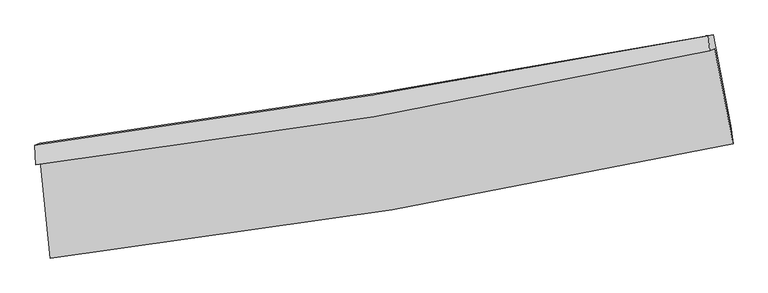
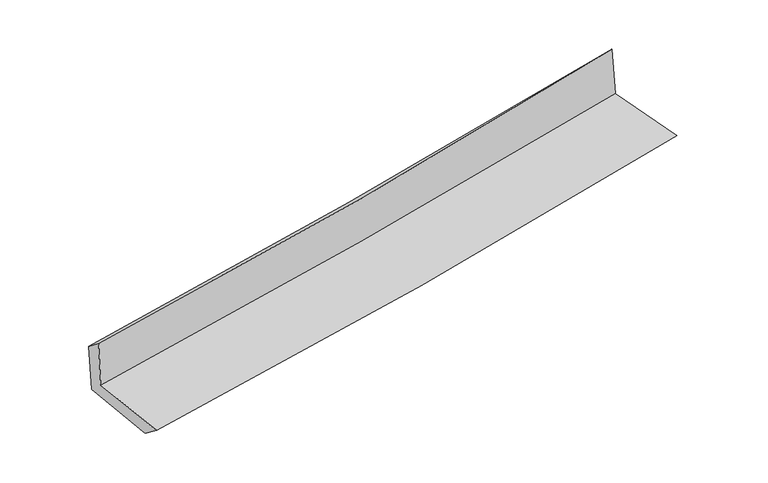
"""IFC4 building model written with IfcOpenShell, lengths in millimetres: proxy geometry."""

import ifcopenshell
import ifcopenshell.guid

model = None  # the IFC model being written
_history = None  # IfcOwnerHistory: only IFC2X3 demands one
_inside = {}  # id of a spatial element -> (the spatial element, [elements in it])
_under = {}  # id of a project, library or spatial element -> (it, [spatial elements below it])
_declared = {}  # id of a project -> (the project, [libraries it declares])
_typed = {}  # id of a type object -> (the type object, [elements of that type])
_made_of = {}  # id of a material, layer set ... -> (it, [elements and type objects made of it])


def new_model(schema):
    """Start an empty IFC model of exactly this schema.

    Asked for "IFC4X3", IfcOpenShell would pick the latest addendum, in which some entities
    have other attributes; the version numbers below select the first issue.
    IFC2X3 requires an IfcOwnerHistory on every rooted entity: one is made here for all.
    """
    global model, _history
    if schema == "IFC4X3":
        model = ifcopenshell.file(schema_version=(4, 3, 0, 0))
    else:
        model = ifcopenshell.file(schema=schema)
    _inside.clear()
    _under.clear()
    _declared.clear()
    _typed.clear()
    _made_of.clear()
    _history = None
    if model.schema == "IFC2X3":
        org = make("IfcOrganization", Name="unknown")
        user = make(
            "IfcPersonAndOrganization",
            ThePerson=make("IfcPerson", FamilyName="unknown"),
            TheOrganization=org,
        )
        app = make(
            "IfcApplication",
            ApplicationDeveloper=org,
            Version="unknown",
            ApplicationFullName="unknown",
            ApplicationIdentifier="unknown",
        )
        _history = make(
            "IfcOwnerHistory",
            OwningUser=user,
            OwningApplication=app,
            ChangeAction="ADDED",
            CreationDate=0,
        )
    return model


def make(cls, **values):
    """One entity of the class cls with the attributes given. An attribute that is None is left unset."""
    return model.create_entity(
        cls, **{name: value for name, value in values.items() if value is not None}
    )


def rooted(cls, **values):
    """An entity with a GlobalId (a new one), such as an element, a storey or a relation."""
    return make(cls, GlobalId=ifcopenshell.guid.new(), OwnerHistory=_history, **values)


def si_unit(unit_type, name, prefix=None):
    """IfcSIUnit, for example si_unit("LENGTHUNIT", "METRE", prefix="MILLI")."""
    return make("IfcSIUnit", UnitType=unit_type, Prefix=prefix, Name=name)


def assignment(units):
    """IfcUnitAssignment: the units of a project."""
    return None if units is None else make("IfcUnitAssignment", Units=units)


def point(xyz):
    """IfcCartesianPoint."""
    return None if xyz is None else make("IfcCartesianPoint", Coordinates=xyz)


def direction(xyz):
    """IfcDirection."""
    return None if xyz is None else make("IfcDirection", DirectionRatios=xyz)


def frame(location, z_axis=None, x_axis=None):
    """IfcAxis2Placement3D, a coordinate frame: its origin and axes. An axis left out is left unset."""
    return make(
        "IfcAxis2Placement3D",
        Location=point(location),
        Axis=direction(z_axis),
        RefDirection=direction(x_axis),
    )


def origin():
    """The frame at (0, 0, 0) with its axes left unset."""
    return frame((0.0, 0.0, 0.0))


def place(relative_to, where):
    """IfcLocalPlacement: puts the frame where relative to a parent placement (None: the world)."""
    return make(
        "IfcLocalPlacement", PlacementRelTo=relative_to, RelativePlacement=where
    )


def context(
    kind, dimensions, precision=None, world=None, true_north=None, identifier=None
):
    """IfcGeometricRepresentationContext, for example the 3D "Model" context."""
    return make(
        "IfcGeometricRepresentationContext",
        ContextIdentifier=identifier,
        ContextType=kind,
        CoordinateSpaceDimension=dimensions,
        Precision=precision,
        WorldCoordinateSystem=world,
        TrueNorth=true_north,
    )


def project(units=None, contexts=None):
    """IfcProject with its units and contexts."""
    return rooted(
        "IfcProject",
        Name="project",
        RepresentationContexts=contexts,
        UnitsInContext=assignment(units),
    )


def spatial(cls, under=None, at=None, **own):
    """A site, building, storey or space (cls), placed at a placement, below another one or the project."""
    s = rooted(cls, ObjectPlacement=at, **own)
    if under is not None:
        _under.setdefault(under.id(), (under, []))[1].append(s)
    return s


def shape(context_of_items, identifier, shape_type, items):
    """IfcShapeRepresentation: the items that make up one representation, for example the "Body"."""
    return make(
        "IfcShapeRepresentation",
        ContextOfItems=context_of_items,
        RepresentationIdentifier=identifier,
        RepresentationType=shape_type,
        Items=items,
    )


def source(mapping_origin, context_of_items, identifier, shape_type, items):
    """IfcRepresentationMap: a shape defined once, which mapped items show again and again."""
    return make(
        "IfcRepresentationMap",
        MappingOrigin=mapping_origin,
        MappedRepresentation=shape(context_of_items, identifier, shape_type, items),
    )


def transform(
    local_origin,
    x_axis=None,
    y_axis=None,
    z_axis=None,
    scale=None,
    scale2=None,
    scale3=None,
    uniform=True,
):
    """IfcCartesianTransformationOperator3D, or its non-uniform kind. x_axis, y_axis, z_axis: its Axis1, 2, 3."""
    if uniform:
        return make(
            "IfcCartesianTransformationOperator3D",
            Axis1=direction(x_axis),
            Axis2=direction(y_axis),
            LocalOrigin=point(local_origin),
            Scale=scale,
            Axis3=direction(z_axis),
        )
    return make(
        "IfcCartesianTransformationOperator3DnonUniform",
        Axis1=direction(x_axis),
        Axis2=direction(y_axis),
        LocalOrigin=point(local_origin),
        Scale=scale,
        Axis3=direction(z_axis),
        Scale2=scale2,
        Scale3=scale3,
    )


def mapped(mapping_source, mapping_target):
    """IfcMappedItem: shows the shape of a source again, moved by a transform."""
    return make(
        "IfcMappedItem", MappingSource=mapping_source, MappingTarget=mapping_target
    )


def made_of(thing, what):
    """Note that an element or type object is made of a material, layer set ...; save() writes the relation."""
    if what is not None:
        _made_of.setdefault(what.id(), (what, []))[1].append(thing)
    return thing


def element(
    cls,
    number,
    at=None,
    inside=None,
    cuts=None,
    type_object=None,
    material=None,
    context=None,
    identifier="Body",
    shape_type=None,
    held_by="IfcProductDefinitionShape",
    body=None,
    shapes=None,
    **own,
):
    """One element of the class cls, such as IfcWall. Its Tag is "e" and its number.

    at: its placement. inside: the storey or other place that contains it. cuts: it is an
    opening in that element (IfcRelVoidsElement). A single representation is given by context,
    identifier, shape_type and body (its items); several are given by shapes. held_by: the class
    of the entity that holds the representations. save() writes the other relations.
    """
    e = rooted(cls, Tag="e%d" % number, ObjectPlacement=at, **own)
    if body is not None:
        shapes = [shape(context, identifier, shape_type, body)]
    if shapes is not None:
        e.Representation = make(held_by, Representations=shapes)
    if inside is not None:
        _inside.setdefault(inside.id(), (inside, []))[1].append(e)
    if cuts is not None:
        rooted(
            "IfcRelVoidsElement", RelatingBuildingElement=cuts, RelatedOpeningElement=e
        )
    if type_object is not None:
        _typed.setdefault(type_object.id(), (type_object, []))[1].append(e)
    return made_of(e, material)


def aggregate(whole, parts):
    """IfcRelAggregates: a whole, such as a stair, and the parts it consists of."""
    return rooted("IfcRelAggregates", RelatingObject=whole, RelatedObjects=parts)


def save(model, path):
    """Write the relations noted so far, then the file.

    IfcRelAggregates (storeys below a building ...), IfcRelContainedInSpatialStructure (elements
    in a storey), IfcRelDefinesByType, IfcRelAssociatesMaterial and IfcRelDeclares: one each for
    every whole, place, type object, material and project.
    """
    for whole, parts in _under.values():
        aggregate(whole, parts)
    for where, things in _inside.values():
        rooted(
            "IfcRelContainedInSpatialStructure",
            RelatedElements=things,
            RelatingStructure=where,
        )
    for kind, things in _typed.values():
        rooted("IfcRelDefinesByType", RelatedObjects=things, RelatingType=kind)
    for what, things in _made_of.values():
        rooted("IfcRelAssociatesMaterial", RelatedObjects=things, RelatingMaterial=what)
    for by, libraries in _declared.values():
        rooted("IfcRelDeclares", RelatingContext=by, RelatedDefinitions=libraries)
    model.write(path)


def plane_surface(at):
    """IfcPlane: the flat surface through the origin of the frame at, square to its z axis."""
    return make("IfcPlane", Position=at)


def spline_curve(degree, points, multiplicities, knots, weights=None):
    """IfcBSplineCurveWithKnots; with weights, IfcRationalBSplineCurveWithKnots."""
    own = dict(
        Degree=degree,
        ControlPointsList=[point(p) for p in points],
        CurveForm="UNSPECIFIED",
        ClosedCurve=False,
        SelfIntersect=False,
        KnotMultiplicities=multiplicities,
        Knots=knots,
        KnotSpec="UNSPECIFIED",
    )
    if weights is None:
        return make("IfcBSplineCurveWithKnots", **own)
    return make("IfcRationalBSplineCurveWithKnots", WeightsData=weights, **own)


def spline_surface(u_degree, v_degree, points, u_multiplicities, v_multiplicities, u_knots, v_knots, weights=None):
    """IfcBSplineSurfaceWithKnots; with weights, IfcRationalBSplineSurfaceWithKnots. points: one row for each step in u."""
    own = dict(
        UDegree=u_degree,
        VDegree=v_degree,
        ControlPointsList=[[point(p) for p in row] for row in points],
        SurfaceForm="UNSPECIFIED",
        UClosed=False,
        VClosed=False,
        SelfIntersect=False,
        UMultiplicities=u_multiplicities,
        VMultiplicities=v_multiplicities,
        UKnots=u_knots,
        VKnots=v_knots,
        KnotSpec="UNSPECIFIED",
    )
    if weights is None:
        return make("IfcBSplineSurfaceWithKnots", **own)
    return make("IfcRationalBSplineSurfaceWithKnots", WeightsData=weights, **own)


def advanced_brep(points, edges, surfaces, faces):
    """IfcAdvancedBrep: a solid bounded by faces that lie on surfaces and meet in shared edges.

    An edge is (start, end): straight between two places in points (the first is 0);
    or (start, end, curve); or (start, end, curve, False) where it runs against its curve.
    A face is (place in surfaces, loops), or (place, loops, False) where it looks against
    its surface's normal. A loop lists edges by number (the first is 1), with a minus sign
    where the edge is run from its end to its start. The first loop is the outer one.
    """
    corners = [point(p) for p in points]
    vertices = [make("IfcVertexPoint", VertexGeometry=c) for c in corners]
    made = []
    for start, end, *more in edges:
        made.append(
            make(
                "IfcEdgeCurve",
                EdgeStart=vertices[start],
                EdgeEnd=vertices[end],
                EdgeGeometry=more[0] if more else make("IfcPolyline", Points=[corners[start], corners[end]]),
                SameSense=more[1] if len(more) > 1 else True,
            )
        )
    hull = []
    for where, loops, *sense in faces:
        bounds = []
        for j, loop in enumerate(loops):
            ring = [make("IfcOrientedEdge", EdgeElement=made[abs(k) - 1], Orientation=k > 0) for k in loop]
            bounds.append(
                make(
                    "IfcFaceOuterBound" if j == 0 else "IfcFaceBound",
                    Bound=make("IfcEdgeLoop", EdgeList=ring),
                    Orientation=True,
                )
            )
        hull.append(make("IfcAdvancedFace", Bounds=bounds, FaceSurface=surfaces[where], SameSense=sense[0] if sense else True))
    return make("IfcAdvancedBrep", Outer=make("IfcClosedShell", CfsFaces=hull))


def generic_models_59641754(model_context):
    return source(origin(), model_context, "Body", "AdvancedBrep", [
        advanced_brep(
        [(-2373.6503107, -1859.5344596, 1674.0204361), (-2303.5206511, -2535.2368239, 1665.3103195), (2448.4775437, -1738.4551938, 2091.0223271), (2320.7774077, -1078.4011249, 2101.3135593), (-2405.7391813, -1884.7124479, 2066.6399073), (2286.2490852, -1093.1995233, 2509.4912634), (-2410.1262408, -1750.7111025, 1960.5614608), (2277.2074551, -986.8715899, 2385.2171461), (-2376.6855356, -1736.378843, 1565.2410595), (2311.179113, -982.4318692, 2004.8478143), (-2308.8101859, -2382.4030106, 1547.5612573), (2433.5732712, -1613.7864101, 1992.3116786)],
        [
            (0, 1),
            (1, 2, spline_curve(3, [(-2303.5206511, -2535.2368239, 1665.3103195), (-1506.674899536, -2442.81393798, 1743.06656726), (-712.831303053, -2330.331476914, 1817.373503413), (871.185843612, -2064.85619167, 1959.297898127), (1661.341645732, -1911.744775799, 2026.89496435), (2448.4775437, -1738.4551938, 2091.0223271)], [4, 2, 4], [0.0, 7.877074165618274, 15.777398478272275])),
            (2, 3),
            (3, 0, spline_curve(3, [(2320.7774077, -1078.4011249, 2101.3135593), (1541.497409205, -1236.458338872, 2034.747827813), (760.075458469, -1380.656923693, 1965.801225555), (-804.746369828, -1640.953251591, 1823.356191417), (-1588.133658391, -1757.132445296, 1749.871752635), (-2373.6503107, -1859.5344596, 1674.0204361)], [4, 2, 4], [0.0, 7.900324312654001, 15.777398478272275])),
            (4, 0),
            (3, 5),
            (5, 4, spline_curve(3, [(2286.2490852, -1093.1995233, 2509.4912634), (1509.369146026, -1265.874225226, 2441.028879625), (729.349343655, -1418.238300531, 2369.835005203), (-834.66519886, -1681.956572252, 2222.201833197), (-1618.641485203, -1793.430138623, 2145.778588746), (-2405.7391813, -1884.7124479, 2066.6399073)], [4, 2, 4], [0.0, 7.852475051792649, 15.681840773851059])),
            (6, 4),
            (5, 7),
            (7, 6, spline_curve(3, [(2277.2074551, -986.8715899, 2385.2171461), (1498.02567288, -1136.614313392, 2319.665339432), (717.245669871, -1275.216376674, 2251.445387295), (-845.208288609, -1529.764071405, 2109.877810824), (-1626.872850967, -1645.775179081, 2036.545867923), (-2410.1262408, -1750.7111025, 1960.5614608)], [4, 2, 4], [0.0, 7.843901058538973, 15.664718020055167])),
            (8, 6),
            (7, 9),
            (9, 8, spline_curve(3, [(2311.179113, -982.4318692, 2004.8478143), (1532.012923002, -1127.105375311, 1928.492596673), (751.196328157, -1262.34975518, 1853.629301935), (-811.434921033, -1513.60999601, 1707.1024851), (-1593.239875954, -1629.681274157, 1635.430195151), (-2376.6855356, -1736.378843, 1565.2410595)], [4, 2, 4], [0.0, 7.83413320382962, 15.64521105680551])),
            (10, 8),
            (9, 11),
            (11, 10, spline_curve(3, [(2433.5732712, -1613.7864101, 1992.3116786), (1645.777923044, -1763.472579521, 1915.044775302), (856.096473208, -1902.445672158, 1839.296406302), (-724.709097544, -2158.588242454, 1691.055190733), (-1515.822133269, -2275.820683375, 1618.553419195), (-2308.8101859, -2382.4030106, 1547.5612573)], [4, 2, 4], [0.0, 7.880702210074622, 15.738212019701134])),
            (1, 10),
            (11, 2),
        ],
        [
            spline_surface(3, 3, [[(-2373.6503107, -1859.5344596, 1674.0204361), (-1588.133658381, -1757.132445368, 1749.871752761), (-804.74636976, -1640.953251709, 1823.356191509), (760.075458401, -1380.656923575, 1965.801225463), (1541.497409269, -1236.458338972, 2034.747827765), (2320.7774077, -1078.4011249, 2101.3135593)], [(-2350.27375751, -2084.768581033, 1671.117063909), (-1560.980738743, -1985.692942864, 1747.603357576), (-774.108014246, -1870.745993458, 1821.361962158), (797.112253493, -1608.723346245, 1963.633449695), (1581.445488096, -1461.553817894, 2032.130206643), (2363.34411972, -1298.419147848, 2097.883148554)], [(-2326.89720429, -2310.002702467, 1668.213691691), (-1533.827819074, -2214.25344036, 1745.334962365), (-743.469658683, -2100.538735228, 1819.36773277), (834.149048636, -1836.789768937, 1961.465673888), (1621.393566863, -1686.649296872, 2029.51258556), (2405.91083168, -1518.437170852, 2094.452737846)], [(-2303.5206511, -2535.2368239, 1665.3103195), (-1506.674899436, -2442.813937856, 1743.06656718), (-712.831303169, -2330.331476977, 1817.37350342), (871.185843728, -2064.856191607, 1959.297898119), (1661.341645691, -1911.744775794, 2026.894964438), (2448.4775437, -1738.4551938, 2091.0223271)]], [4, 4], [4, 2, 4], [0.0, 2.27780518540555], [0.0, 7.877074165618274, 15.777398478272275]),
            spline_surface(3, 3, [[(-2405.7391813, -1884.7124479, 2066.6399073), (-1618.641485297, -1793.430138598, 2145.778588759), (-834.665198842, -1681.956572238, 2222.20183307), (729.349343637, -1418.238300545, 2369.835005331), (1509.369145999, -1265.874225357, 2441.028879689), (2286.2490852, -1093.1995233, 2509.4912634)], [(-2395.042891093, -1876.319785124, 1935.766750235), (-1608.472209652, -1781.330907512, 2013.809643429), (-824.692255807, -1668.288798735, 2089.253285866), (739.591381899, -1405.711174896, 2235.157078692), (1520.078567076, -1256.068929893, 2305.601862377), (2297.758526021, -1088.266723831, 2373.432028695)], [(-2384.346600907, -1867.927122376, 1804.893593165), (-1598.302934027, -1769.231676454, 1881.840698092), (-814.719312794, -1654.621025211, 1956.304738712), (749.833420139, -1393.184049225, 2100.479152102), (1530.787988192, -1246.263634436, 2170.174845077), (2309.267966879, -1083.333924369, 2237.372794005)], [(-2373.6503107, -1859.5344596, 1674.0204361), (-1588.133658381, -1757.132445368, 1749.871752761), (-804.74636976, -1640.953251709, 1823.356191509), (760.075458401, -1380.656923575, 1965.801225463), (1541.497409269, -1236.458338972, 2034.747827765), (2320.7774077, -1078.4011249, 2101.3135593)]], [4, 4], [4, 2, 4], [0.0, 1.3271108571907388], [0.0, 7.82936572205841, 15.681840773851059]),
            spline_surface(3, 3, [[(-2410.1262408, -1750.7111025, 1960.5614608), (-1626.872850893, -1645.775179144, 2036.545867973), (-845.208288554, -1529.764071477, 2109.877810887), (717.245669816, -1275.216376601, 2251.445387232), (1498.025672796, -1136.614313437, 2319.665339435), (2277.2074551, -986.8715899, 2385.2171461)], [(-2408.663887631, -1795.378217616, 1995.92094294), (-1624.129062359, -1694.993498944, 2072.956774875), (-841.693925306, -1580.49490506, 2147.319151623), (721.280227767, -1322.890351245, 2290.908593273), (1501.80683055, -1179.700950752, 2360.119852851), (2280.22133182, -1022.314234375, 2426.641851865)], [(-2407.201534469, -1840.045332784, 2031.28042516), (-1621.385273832, -1744.211818797, 2109.367681857), (-838.17956209, -1631.225738655, 2184.760492334), (725.314785686, -1370.564325901, 2330.371799289), (1505.587988245, -1222.787588042, 2400.574366273), (2283.23520848, -1057.756878825, 2468.066557635)], [(-2405.7391813, -1884.7124479, 2066.6399073), (-1618.641485297, -1793.430138598, 2145.778588759), (-834.665198842, -1681.956572238, 2222.20183307), (729.349343637, -1418.238300545, 2369.835005331), (1509.369145999, -1265.874225357, 2441.028879689), (2286.2490852, -1093.1995233, 2509.4912634)]], [4, 4], [4, 2, 4], [0.0, 0.6157273055328991], [0.0, 7.820816961516194, 15.664718020055167]),
            spline_surface(3, 3, [[(-2376.6855356, -1736.378843, 1565.2410595), (-1593.239875837, -1629.681274202, 1635.43019508), (-811.434921092, -1513.609996072, 1707.10248522), (751.196328216, -1262.349755117, 1853.629301815), (1532.012923009, -1127.10537528, 1928.492596595), (2311.179113, -982.4318692, 2004.8478143)], [(-2387.832437351, -1741.15626285, 1697.014526621), (-1604.45086754, -1635.045909199, 1769.135419399), (-822.692710243, -1518.994687859, 1841.360927127), (739.879442085, -1266.63862893, 1986.234663638), (1520.68383958, -1130.275021315, 2058.88351088), (2299.855227009, -983.911776082, 2131.637591572)], [(-2398.979339049, -1745.93368265, 1828.787993679), (-1615.66185919, -1640.410544147, 1902.840643654), (-833.950499402, -1524.379379691, 1975.61936898), (728.562555947, -1270.927502788, 2118.840025409), (1509.354756225, -1133.444667403, 2189.274425149), (2288.531341091, -985.391683018, 2258.427368828)], [(-2410.1262408, -1750.7111025, 1960.5614608), (-1626.872850893, -1645.775179144, 2036.545867973), (-845.208288554, -1529.764071477, 2109.877810887), (717.245669816, -1275.216376601, 2251.445387232), (1498.025672796, -1136.614313437, 2319.665339435), (2277.2074551, -986.8715899, 2385.2171461)]], [4, 4], [4, 2, 4], [0.0, 1.3188317028251695], [0.0, 7.811077852975889, 15.64521105680551]),
            spline_surface(3, 3, [[(-2308.8101859, -2382.4030106, 1547.5612573), (-1515.822133356, -2275.820683467, 1618.553419159), (-724.70909753, -2158.58824255, 1691.055190671), (856.096473194, -1902.445672062, 1839.296406365), (1645.777923055, -1763.472579473, 1915.044775273), (2433.5732712, -1613.7864101, 1992.3116786)], [(-2331.435302447, -2167.061621406, 1553.454524685), (-1541.628047497, -2060.440880385, 1624.179011118), (-753.61770539, -1943.595493753, 1696.404288859), (821.129758194, -1689.080366443, 1844.074038186), (1607.856256384, -1551.350178096, 1919.527382366), (2392.775218477, -1403.334896487, 1996.490390486)], [(-2354.060419053, -1951.720232194, 1559.347792115), (-1567.433961697, -1845.061077284, 1629.804603121), (-782.526313231, -1728.602744869, 1701.753387033), (786.163043215, -1475.715060736, 1848.851669994), (1569.93458968, -1339.227776658, 1924.009989502), (2351.977165723, -1192.883382813, 2000.669102414)], [(-2376.6855356, -1736.378843, 1565.2410595), (-1593.239875837, -1629.681274202, 1635.43019508), (-811.434921092, -1513.609996072, 1707.10248522), (751.196328216, -1262.349755117, 1853.629301815), (1532.012923009, -1127.10537528, 1928.492596595), (2311.179113, -982.4318692, 2004.8478143)]], [4, 4], [4, 2, 4], [0.0, 2.131941585023938], [0.0, 7.857509809626512, 15.738212019701134]),
            spline_surface(3, 3, [[(-2303.5206511, -2535.2368239, 1665.3103195), (-1506.674899436, -2442.813937856, 1743.06656718), (-712.831303169, -2330.331476977, 1817.37350342), (871.185843728, -2064.856191607, 1959.297898119), (1661.341645691, -1911.744775794, 2026.894964438), (2448.4775437, -1738.4551938, 2091.0223271)], [(-2305.283829367, -2484.292219471, 1626.060632109), (-1509.72397741, -2387.149519731, 1701.562184516), (-716.790567953, -2273.083732158, 1775.267399143), (866.156053553, -2010.719351748, 1919.297400841), (1656.153738132, -1862.320710365, 1989.611568078), (2443.509452853, -1696.898932578, 2058.118777628)], [(-2307.047007633, -2433.347615029, 1586.810944691), (-1512.773055382, -2331.485101592, 1660.057801824), (-720.749832746, -2215.835987369, 1733.161294948), (861.126263369, -1956.58251192, 1879.296903643), (1650.965830614, -1812.896644902, 1952.328171633), (2438.541362047, -1655.342671322, 2025.215228072)], [(-2308.8101859, -2382.4030106, 1547.5612573), (-1515.822133356, -2275.820683467, 1618.553419159), (-724.70909753, -2158.58824255, 1691.055190671), (856.096473194, -1902.445672062, 1839.296406365), (1645.777923055, -1763.472579473, 1915.044775273), (2433.5732712, -1613.7864101, 1992.3116786)]], [4, 4], [4, 2, 4], [0.0, 0.6823678659818943], [0.0, 7.914835236864676, 15.853032077181542]),
            plane_surface(frame((2346.2439793, -1248.8576185, 2180.7006315), z_axis=(0.9781093057719672, 0.1878378166123328, 0.08954965445266642), x_axis=(-0.0889521926784483, -0.011625069540146311, 0.9959680542948569))),
            plane_surface(frame((-2363.0886842, -2024.8294479, 1746.5557401), z_axis=(-0.9909561465383424, -0.10172105588511972, -0.08751424128389478), x_axis=(-0.10322479194943626, 0.9945754250584944, 0.012820538081955974))),
        ],
        [
            (0, [[1, 2, 3, 4]]),
            (1, [[5, -4, 6, 7]]),
            (2, [[8, -7, 9, 10]]),
            (3, [[11, -10, 12, 13]]),
            (4, [[14, -13, 15, 16]]),
            (5, [[17, -16, 18, -2]]),
            (6, [[-12, -9, -6, -3, -18, -15]]),
            (7, [[-1, -5, -8, -11, -14, -17]]),
        ],
    ),
    ])


if __name__ == "__main__":
    model = new_model("IFC4")
    model_context = context("Model", 3, world=origin())
    ifc_project = project(units=[si_unit("LENGTHUNIT", "METRE", prefix="MILLI")], contexts=[model_context])
    site = spatial("IfcSite", under=ifc_project)
    building = spatial("IfcBuilding", under=site)
    placement = place(None, origin())
    generic_models_shape = generic_models_59641754(model_context)
    element("IfcBuildingElementProxy", 1, Name="Generic Models", at=placement, inside=building, context=model_context, shape_type="MappedRepresentation", body=[
        mapped(generic_models_shape, transform((0.0, 0.0, 0.0), x_axis=(1.0, 0.0, 0.0), y_axis=(0.0, 1.0, 0.0), z_axis=(0.0, 0.0, 1.0))),
    ])
    save(model, "model.ifc")
